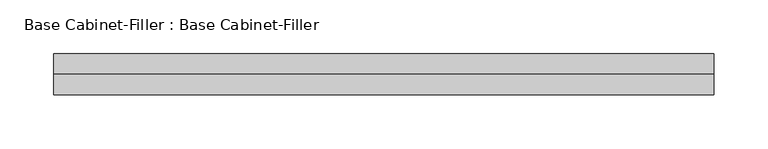
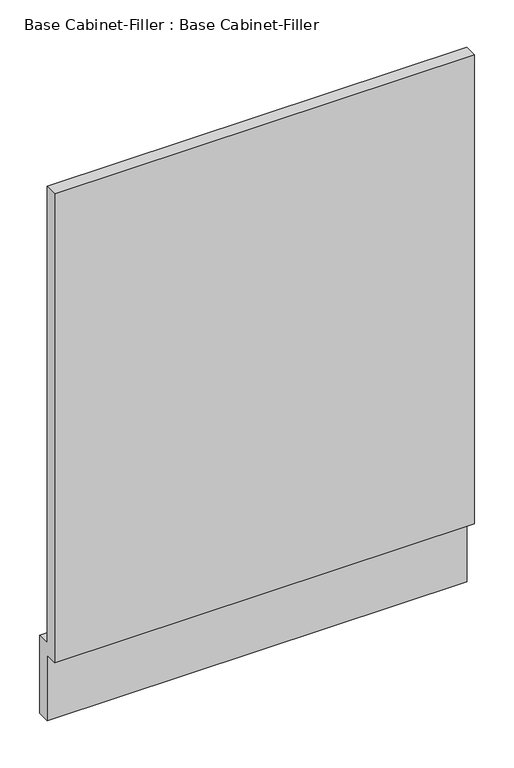
"""IFC4 building model written with IfcOpenShell, lengths in millimetres: furniture geometry, Base Cabinet-Filler : Base Cabinet-Filler."""

from ifc_helpers import new_model, si_unit, frame, origin, place, context, project, spatial, polyline, outline, extrude, source, transform, mapped, element, save


def base_cabinet_filler_base_cabinet_filler_ec682217(model_context):
    return source(origin(), model_context, "Body", "SweptSolid", [
        extrude(outline(polyline([(-590.55, 101.6), (-590.55, 825.5), (-571.5, 825.5), (-571.5, 120.65), (-552.45, 120.65), (-552.45, 0.0), (-571.5, 0.0), (-571.5, 101.6), (-590.55, 101.6)])), frame((-287.9200787, 0.0, 0.0), z_axis=(1.0, 0.0, 0.0), x_axis=(0.0, 1.0, 0.0)), (0.0, 0.0, 1.0), 613.3155672),
    ])


if __name__ == "__main__":
    model = new_model("IFC4")
    model_context = context("Model", 3, world=origin())
    ifc_project = project(units=[si_unit("LENGTHUNIT", "METRE", prefix="MILLI")], contexts=[model_context])
    site = spatial("IfcSite", under=ifc_project)
    building = spatial("IfcBuilding", under=site)
    placement = place(None, origin())
    base_cabinet_filler_base_cabinet_filler_shape = base_cabinet_filler_base_cabinet_filler_ec682217(model_context)
    element("IfcFurniture", 1, ObjectType="Base Cabinet-Filler : Base Cabinet-Filler", at=placement, inside=building, context=model_context, shape_type="MappedRepresentation", body=[
        mapped(base_cabinet_filler_base_cabinet_filler_shape, transform((0.0, 0.0, 0.0), x_axis=(1.0, 0.0, 0.0), y_axis=(0.0, 1.0, 0.0), z_axis=(0.0, 0.0, 1.0))),
    ])
    save(model, "model.ifc")
